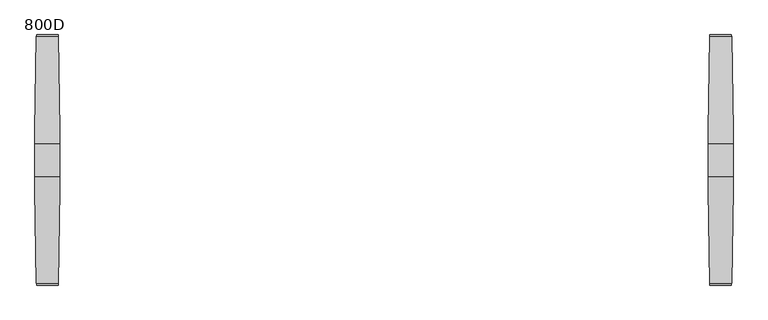
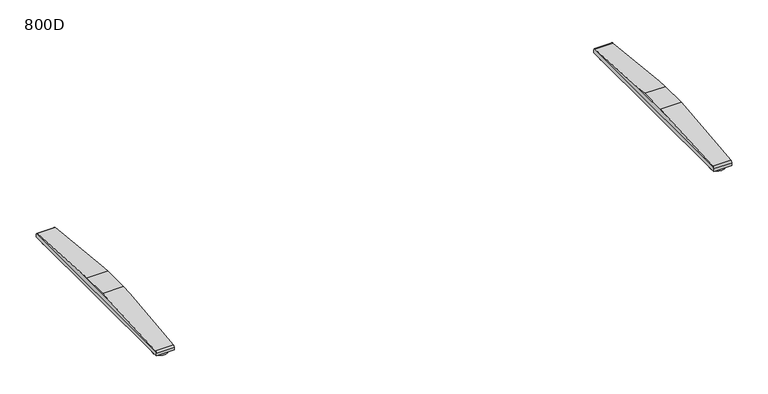
"""IFC4 building model written with IfcOpenShell, lengths in millimetres: furniture geometry, 800D."""

from ifc_helpers import new_model, si_unit, point, frame, frame_2d, origin, origin_with_axes, place, context, project, spatial, circle_curve, ellipse_curve, trimmed, segment, composite_curve, outline, extrude, source, transform, mapped, element, save
from ifc_brep_helpers import plane_surface, cylinder_surface, advanced_brep


def furniture_800d_e9e38104(model_context):
    return source(origin(), model_context, "Body", "SolidModel", [
        advanced_brep(
        [(905.0040816, -45.9999756, 50.0000004), (905.0040816, 45.9999756, 50.0000004), (905.0040816, 82.452717, 47.0022421), (905.0040816, -82.4527181, 47.0022421), (975.0, 45.9999756, 50.0000004), (975.0, -45.9999756, 50.0000004), (975.0, -82.6981674, 46.9820571), (975.0, 82.6981662, 46.9820571), (970.6498787, 344.4917542, 25.4529794), (909.3582815, 344.4917542, 25.4529794), (909.3582815, -344.4917633, 25.4529794), (970.6498787, -344.4917633, 25.4529794), (910.0539142, -349.4372123, 22.0102408), (910.0539142, -350.0000027, 19.4731654), (969.954246, -350.0000027, 19.4731654), (969.954246, -349.4372123, 22.0102408), (910.0539142, -350.0000027, 10.0000005), (969.954246, -350.0000027, 10.0000005), (910.0539142, 349.9999913, 10.0000005), (969.954246, 349.9999913, 10.0000005), (910.0539142, 349.9999913, 19.4731679), (969.954246, 349.9999913, 19.4731679), (910.0539142, 349.4372019, 22.0102408), (969.954246, 349.4372019, 22.0102408)],
        [
            (0, 1),
            (1, 2),
            (2, 3),
            (3, 0),
            (4, 5),
            (5, 6),
            (6, 7),
            (7, 4),
            (1, 4),
            (7, 8),
            (8, 9),
            (9, 2),
            (0, 5),
            (3, 10),
            (10, 11),
            (11, 6),
            (10, 12, ellipse_curve(frame((910.5665505, -344.0000023, 19.4731654), z_axis=(0.9801908372046193, 0.0, 0.19805535251567288), x_axis=(-0.1980553525156731, 0.0, 0.9801908372046194)), 6.1212573, 6.0000004)),
            (12, 13, circle_curve(frame((910.0539142, -344.0000023, 19.4731654), z_axis=(1.0, 0.0, 0.0), x_axis=(0.0, 1.0, 0.0)), 6.0000004)),
            (13, 14),
            (14, 15, circle_curve(frame((969.954246, -344.0000023, 19.4731654), z_axis=(-1.0, 0.0, 0.0), x_axis=(0.0, 1.0, 0.0)), 6.0000004)),
            (15, 11, ellipse_curve(frame((969.4416097, -344.0000023, 19.4731654), z_axis=(-0.9801908372046148, 0.0, 0.1980553525156958), x_axis=(-0.198055352515695, 0.0, -0.9801908372046149)), 6.1212573, 6.0000004)),
            (13, 16),
            (16, 17),
            (17, 14),
            (16, 18),
            (18, 19),
            (19, 17),
            (18, 20),
            (20, 21),
            (21, 19),
            (20, 22, circle_curve(frame((910.0539142, 343.9999934, 19.4731679), z_axis=(1.0, 0.0, 0.0), x_axis=(0.0, 1.0, 0.0)), 5.9999979)),
            (22, 9, ellipse_curve(frame((910.56655, 343.9999934, 19.4731679), z_axis=(0.9801908372046193, 0.0, 0.19805535251567288), x_axis=(-0.1980553525156731, 0.0, 0.9801908372046194)), 6.1212548, 5.9999979)),
            (8, 23, ellipse_curve(frame((969.4416102, 343.9999934, 19.4731679), z_axis=(-0.9801908372046148, 0.0, 0.1980553525156958), x_axis=(-0.198055352515695, 0.0, -0.9801908372046149)), 6.1212548, 5.9999979)),
            (23, 21, circle_curve(frame((969.954246, 343.9999934, 19.4731679), z_axis=(-1.0, 0.0, 0.0), x_axis=(0.0, 1.0, 0.0)), 5.9999979)),
            (15, 23),
            (12, 22),
        ],
        [
            plane_surface(frame((905.0040816, 349.9999913, 19.4731679), z_axis=(-1.0, 0.0, 0.0), x_axis=(0.0, 0.0, -1.0))),
            plane_surface(frame((975.0, 349.9999913, 19.4731679), z_axis=(1.0, 0.0, 0.0), x_axis=(0.0, 0.0, 1.0))),
            plane_surface(frame((905.0040816, 45.9999756, 50.0000004), z_axis=(0.0, 0.08196016388479187, 0.996635606195152), x_axis=(1.0, 0.0, 0.0))),
            plane_surface(frame((905.0040816, -45.9999756, 50.0000004), z_axis=(0.0, 0.0, 1.0), x_axis=(1.0, 0.0, 0.0))),
            plane_surface(frame((905.0040816, -344.4917633, 25.4529794), z_axis=(0.0, -0.08196016140528317, 0.996635606399059), x_axis=(1.0, 0.0, 0.0))),
            cylinder_surface(frame((975.0, -344.0000023, 19.4731654), z_axis=(-1.0, 0.0, 0.0), x_axis=(0.0, 1.0, 0.0)), 6.0000004),
            plane_surface(frame((905.0040816, -350.0000027, 10.0000005), z_axis=(0.0, -1.0, 0.0), x_axis=(1.0, 0.0, 0.0))),
            plane_surface(frame((905.0040816, 349.9999913, 10.0000005), z_axis=(0.0, 0.0, -1.0), x_axis=(1.0, 0.0, 0.0))),
            plane_surface(frame((905.0040816, 349.9999913, 19.4731679), z_axis=(0.0, 1.0, 0.0), x_axis=(1.0, 0.0, 0.0))),
            cylinder_surface(frame((975.0, 343.9999934, 19.4731679), z_axis=(-1.0, 0.0, 0.0), x_axis=(0.0, 1.0, 0.0)), 5.9999979),
            plane_surface(frame((975.0, -350.0000027, 46.9820571), z_axis=(0.9801908372046148, 0.0, -0.1980553525156958), x_axis=(0.0, 1.0, 0.0))),
            plane_surface(frame((969.954246, -350.0000027, 22.0102408), z_axis=(1.0, 0.0, 0.0), x_axis=(0.0, 1.0, 0.0))),
            plane_surface(frame((910.0539142, -350.0000027, 10.0000005), z_axis=(-1.0, 0.0, 0.0), x_axis=(0.0, 1.0, 0.0))),
            plane_surface(frame((910.0539142, -350.0000027, 22.0102408), z_axis=(-0.9801908372046193, 0.0, -0.19805535251567288), x_axis=(0.0, 1.0, 0.0))),
        ],
        [
            (0, [[1, 2, 3, 4]]),
            (1, [[5, 6, 7, 8]]),
            (2, [[9, -8, 10, 11, 12, -2]]),
            (3, [[-1, 13, -5, -9]]),
            (4, [[-13, -4, 14, 15, 16, -6]]),
            (5, [[-15, 17, 18, 19, 20, 21]]),
            (6, [[-19, 22, 23, 24]]),
            (7, [[-23, 25, 26, 27]]),
            (8, [[-26, 28, 29, 30]]),
            (9, [[-29, 31, 32, -11, 33, 34]]),
            (10, [[35, -33, -10, -7, -16, -21]]),
            (11, [[-35, -20, -24, -27, -30, -34]]),
            (12, [[36, -31, -28, -25, -22, -18]]),
            (13, [[-36, -17, -14, -3, -12, -32]]),
        ],
    ),
        extrude(outline(composite_curve([segment(trimmed(circle_curve(frame_2d((940.0020408, 319.5181605)), 25.0), [point((965.0020408, 319.5181605))], [point((915.0020408, 319.5181605))], False, "CARTESIAN"), True, "CONTINUOUS"), segment(trimmed(circle_curve(frame_2d((940.0020408, 319.5181605)), 25.0), [point((915.0020408, 319.5181605))], [point((965.0020408, 319.5181605))], False, "CARTESIAN"), True, "CONTINUOUS")], self_intersect=False)), origin_with_axes(), (0.0, 0.0, 1.0), 10.0000005),
        extrude(outline(composite_curve([segment(trimmed(circle_curve(frame_2d((940.0020408, -319.5181605)), 25.0), [point((965.0020408, -319.5181605))], [point((915.0020408, -319.5181605))], False, "CARTESIAN"), True, "CONTINUOUS"), segment(trimmed(circle_curve(frame_2d((940.0020408, -319.5181605)), 25.0), [point((915.0020408, -319.5181605))], [point((965.0020408, -319.5181605))], False, "CARTESIAN"), True, "CONTINUOUS")], self_intersect=False)), origin_with_axes(), (0.0, 0.0, 1.0), 10.0000005),
        advanced_brep(
        [(-905.0040816, 45.9999756, 50.0000004), (-905.0040816, -45.9999756, 50.0000004), (-905.0040816, -82.4527181, 47.0022421), (-905.0040816, 82.452717, 47.0022421), (-975.0, -45.9999756, 50.0000004), (-975.0, 45.9999756, 50.0000004), (-975.0, 82.6981662, 46.9820571), (-975.0, -82.6981674, 46.9820571), (-909.3582815, 344.4917542, 25.4529794), (-970.6498787, 344.4917542, 25.4529794), (-970.6498787, -344.4917633, 25.4529794), (-909.3582815, -344.4917633, 25.4529794), (-969.954246, -349.4372123, 22.0102408), (-969.954246, -350.0000027, 19.4731654), (-910.0539142, -350.0000027, 19.4731654), (-910.0539142, -349.4372123, 22.0102408), (-969.954246, -350.0000027, 10.0000005), (-910.0539142, -350.0000027, 10.0000005), (-969.954246, 349.9999913, 10.0000005), (-910.0539142, 349.9999913, 10.0000005), (-969.954246, 349.9999913, 19.4731679), (-910.0539142, 349.9999913, 19.4731679), (-910.0539142, 349.4372019, 22.0102408), (-969.954246, 349.4372019, 22.0102408)],
        [
            (0, 1),
            (1, 2),
            (2, 3),
            (3, 0),
            (4, 5),
            (5, 6),
            (6, 7),
            (7, 4),
            (5, 0),
            (3, 8),
            (8, 9),
            (9, 6),
            (4, 1),
            (7, 10),
            (10, 11),
            (11, 2),
            (10, 12, ellipse_curve(frame((-969.4416097, -344.0000023, 19.4731654), z_axis=(0.980190837204615, 0.0, 0.19805535251569462), x_axis=(0.19805535251569453, 0.0, -0.980190837204615)), 6.1212573, 6.0000004)),
            (12, 13, circle_curve(frame((-969.954246, -344.0000023, 19.4731654), z_axis=(1.0, 0.0, 0.0), x_axis=(0.0, -1.0, 0.0)), 6.0000004)),
            (13, 14),
            (14, 15, circle_curve(frame((-910.0539142, -344.0000023, 19.4731654), z_axis=(-1.0, 0.0, 0.0), x_axis=(0.0, -1.0, 0.0)), 6.0000004)),
            (15, 11, ellipse_curve(frame((-910.5665505, -344.0000023, 19.4731654), z_axis=(-0.9801908372046171, 0.0, 0.1980553525156839), x_axis=(0.1980553525156839, 0.0, 0.9801908372046171)), 6.1212573, 6.0000004)),
            (13, 16),
            (16, 17),
            (17, 14),
            (16, 18),
            (18, 19),
            (19, 17),
            (18, 20),
            (20, 21),
            (21, 19),
            (8, 22, ellipse_curve(frame((-910.56655, 343.9999934, 19.4731679), z_axis=(-0.9801908372046171, 0.0, 0.1980553525156839), x_axis=(0.1980553525156839, 0.0, 0.9801908372046171)), 6.1212548, 5.9999979)),
            (22, 21, circle_curve(frame((-910.0539142, 343.9999934, 19.4731679), z_axis=(-1.0, 0.0, 0.0), x_axis=(0.0, -1.0, 0.0)), 5.9999979)),
            (20, 23, circle_curve(frame((-969.954246, 343.9999934, 19.4731679), z_axis=(1.0, 0.0, 0.0), x_axis=(0.0, -1.0, 0.0)), 5.9999979)),
            (23, 9, ellipse_curve(frame((-969.4416102, 343.9999934, 19.4731679), z_axis=(0.980190837204615, 0.0, 0.19805535251569462), x_axis=(0.19805535251569453, 0.0, -0.980190837204615)), 6.1212548, 5.9999979)),
            (23, 12),
            (22, 15),
        ],
        [
            plane_surface(frame((-905.0040816, 46.2454694, 49.9798118), z_axis=(1.0, 0.0, 0.0), x_axis=(0.0, -0.996635606195152, 0.08196016388479188))),
            plane_surface(frame((-975.0, 46.2454694, 49.9798118), z_axis=(-1.0, 0.0, 0.0), x_axis=(0.0, 0.996635606195152, -0.08196016388479188))),
            plane_surface(frame((-905.0040816, 344.4917542, 25.4529794), z_axis=(0.0, 0.08196016388479188, 0.996635606195152), x_axis=(-1.0, 0.0, 0.0))),
            plane_surface(frame((-905.0040816, 45.9999756, 50.0000004), z_axis=(0.0, 0.0, 1.0), x_axis=(-1.0, 0.0, 0.0))),
            plane_surface(frame((-905.0040816, -45.9999756, 50.0000004), z_axis=(0.0, -0.0819601614052832, 0.996635606399059), x_axis=(-1.0, 0.0, 0.0))),
            cylinder_surface(frame((-975.0, -344.0000023, 19.4731654), z_axis=(1.0, 0.0, 0.0), x_axis=(0.0, -1.0, 0.0)), 6.0000004),
            plane_surface(frame((-905.0040816, -350.0000027, 19.4731654), z_axis=(0.0, -1.0, 0.0), x_axis=(-1.0, 0.0, 0.0))),
            plane_surface(frame((-905.0040816, -350.0000027, 10.0000005), z_axis=(0.0, 0.0, -1.0), x_axis=(-1.0, 0.0, 0.0))),
            plane_surface(frame((-905.0040816, 349.9999913, 10.0000005), z_axis=(0.0, 1.0, 0.0), x_axis=(-1.0, 0.0, 0.0))),
            cylinder_surface(frame((-975.0, 343.9999934, 19.4731679), z_axis=(1.0, 0.0, 0.0), x_axis=(0.0, -1.0, 0.0)), 5.9999979),
            plane_surface(frame((-969.954246, -350.0000027, 22.0102408), z_axis=(-0.980190837204615, 0.0, -0.19805535251569462), x_axis=(0.0, 1.0, 0.0))),
            plane_surface(frame((-969.954246, -350.0000027, 10.0000005), z_axis=(-1.0, 0.0, 0.0), x_axis=(0.0, 1.0, 0.0))),
            plane_surface(frame((-910.0539142, -350.0000027, 22.0102408), z_axis=(1.0, 0.0, 0.0), x_axis=(0.0, 1.0, 0.0))),
            plane_surface(frame((-905.0040816, -350.0000027, 47.0022421), z_axis=(0.9801908372046171, 0.0, -0.1980553525156839), x_axis=(0.0, 1.0, 0.0))),
        ],
        [
            (0, [[1, 2, 3, 4]]),
            (1, [[5, 6, 7, 8]]),
            (2, [[9, -4, 10, 11, 12, -6]]),
            (3, [[-1, -9, -5, 13]]),
            (4, [[-13, -8, 14, 15, 16, -2]]),
            (5, [[-15, 17, 18, 19, 20, 21]]),
            (6, [[-19, 22, 23, 24]]),
            (7, [[-23, 25, 26, 27]]),
            (8, [[-26, 28, 29, 30]]),
            (9, [[-11, 31, 32, -29, 33, 34]]),
            (10, [[35, -17, -14, -7, -12, -34]]),
            (11, [[-35, -33, -28, -25, -22, -18]]),
            (12, [[36, -20, -24, -27, -30, -32]]),
            (13, [[-36, -31, -10, -3, -16, -21]]),
        ],
    ),
        extrude(outline(composite_curve([segment(trimmed(circle_curve(frame_2d((-940.0020408, 319.5181605)), 25.0), [point((-965.0020408, 319.5181605))], [point((-915.0020408, 319.5181605))], False, "CARTESIAN"), True, "CONTINUOUS"), segment(trimmed(circle_curve(frame_2d((-940.0020408, 319.5181605)), 25.0), [point((-915.0020408, 319.5181605))], [point((-965.0020408, 319.5181605))], False, "CARTESIAN"), True, "CONTINUOUS")], self_intersect=False)), origin_with_axes(), (0.0, 0.0, 1.0), 10.0000005),
        extrude(outline(composite_curve([segment(trimmed(circle_curve(frame_2d((-940.0020408, -319.5181605)), 25.0), [point((-965.0020408, -319.5181605))], [point((-915.0020408, -319.5181605))], False, "CARTESIAN"), True, "CONTINUOUS"), segment(trimmed(circle_curve(frame_2d((-940.0020408, -319.5181605)), 25.0), [point((-915.0020408, -319.5181605))], [point((-965.0020408, -319.5181605))], False, "CARTESIAN"), True, "CONTINUOUS")], self_intersect=False)), origin_with_axes(), (0.0, 0.0, 1.0), 10.0000005),
    ])


if __name__ == "__main__":
    model = new_model("IFC4")
    model_context = context("Model", 3, world=origin())
    ifc_project = project(units=[si_unit("LENGTHUNIT", "METRE", prefix="MILLI")], contexts=[model_context])
    site = spatial("IfcSite", under=ifc_project)
    building = spatial("IfcBuilding", under=site)
    placement = place(None, origin())
    furniture_800d_shape = furniture_800d_e9e38104(model_context)
    element("IfcFurniture", 1, ObjectType="800D", at=placement, inside=building, context=model_context, shape_type="MappedRepresentation", body=[
        mapped(furniture_800d_shape, transform((0.0, 0.0, 0.0), x_axis=(1.0, 0.0, 0.0), y_axis=(0.0, 1.0, 0.0), z_axis=(0.0, 0.0, 1.0))),
    ])
    save(model, "model.ifc")
